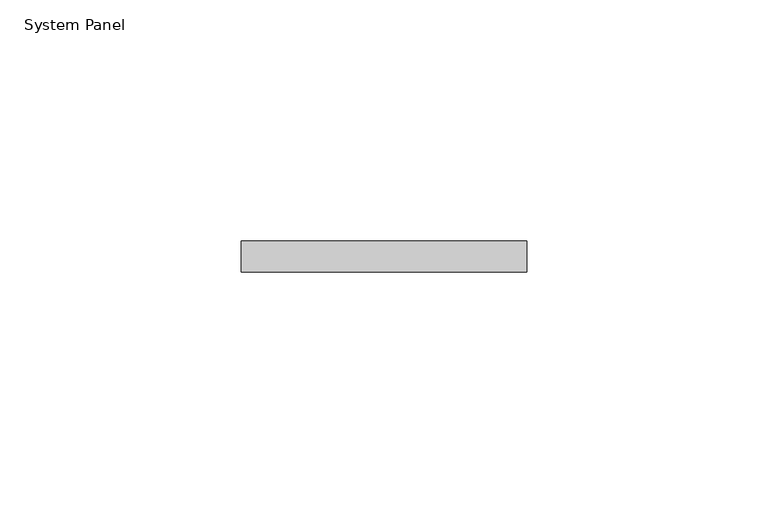
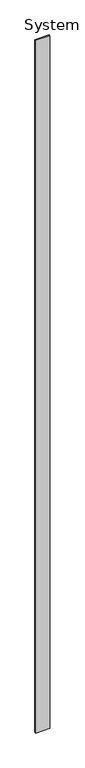
"""IFC4 building model written with IfcOpenShell, lengths in millimetres: plate geometry, System Panel."""

from ifc_helpers import new_model, si_unit, origin, origin_with_axes, place, context, project, spatial, polyline, outline, extrude, source, transform, mapped, element, save


def system_panel_598de98b(model_context):
    return source(origin(), model_context, "Body", "SweptSolid", [
        extrude(outline(polyline([(29.5048649, -6.35), (-29.5048649, -6.35), (-29.5048649, 0.0), (29.5048649, 0.0), (29.5048649, -6.35)])), origin_with_axes(), (0.0, 0.0, 1.0), 3048.0),
    ])


if __name__ == "__main__":
    model = new_model("IFC4")
    model_context = context("Model", 3, world=origin())
    ifc_project = project(units=[si_unit("LENGTHUNIT", "METRE", prefix="MILLI")], contexts=[model_context])
    site = spatial("IfcSite", under=ifc_project)
    building = spatial("IfcBuilding", under=site)
    placement = place(None, origin())
    system_panel_shape = system_panel_598de98b(model_context)
    element("IfcPlate", 1, ObjectType="System Panel", at=placement, inside=building, context=model_context, shape_type="MappedRepresentation", body=[
        mapped(system_panel_shape, transform((0.0, 0.0, 0.0), x_axis=(1.0, 0.0, 0.0), y_axis=(0.0, 1.0, 0.0), z_axis=(0.0, 0.0, 1.0))),
    ])
    save(model, "model.ifc")
